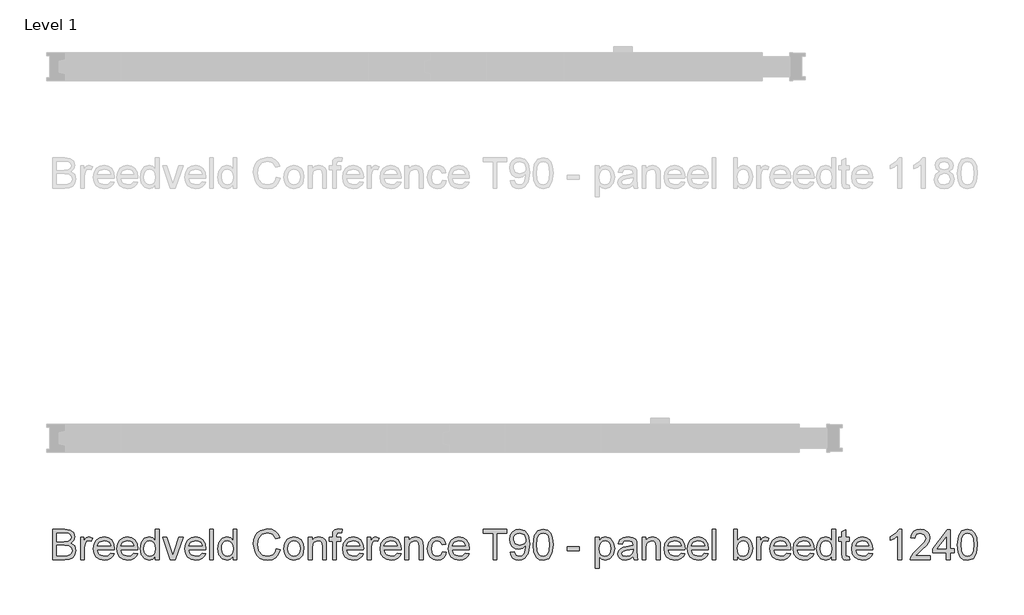
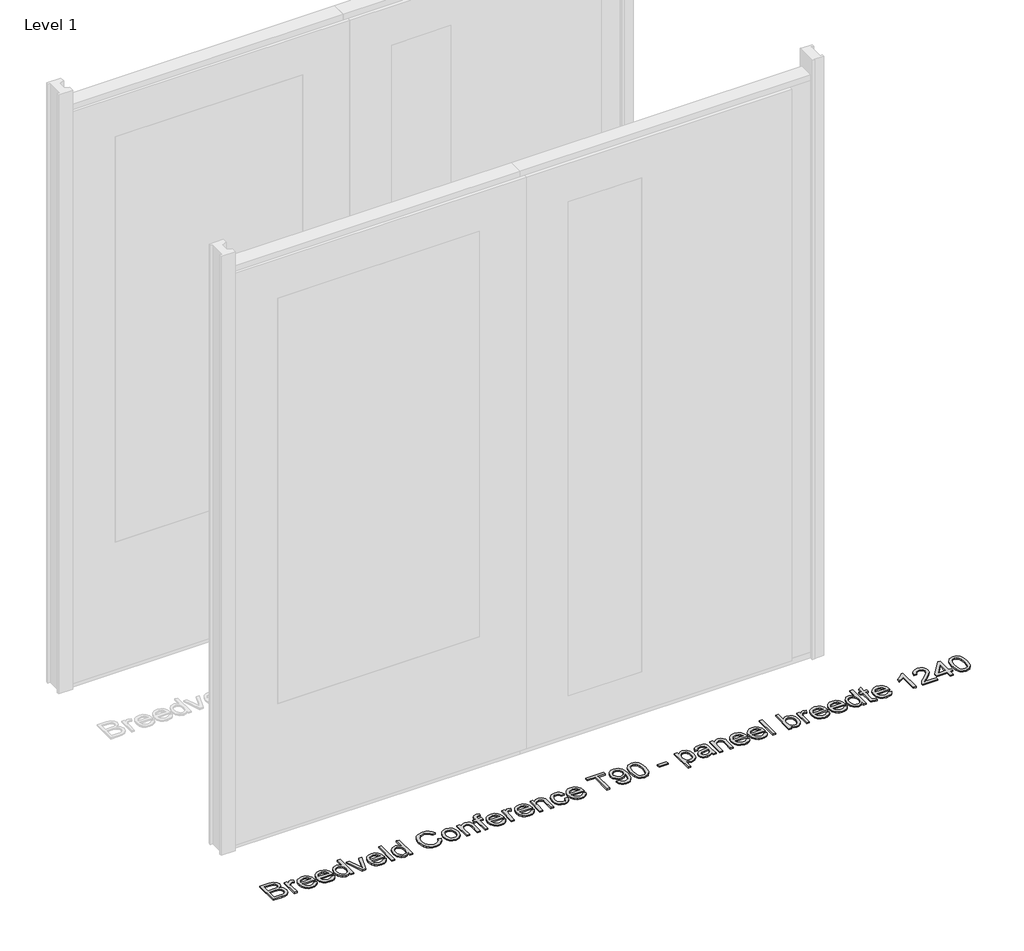
# One storey, part 2 of 17: 1 proxy.
"""IFC4 building model written with IfcOpenShell, lengths in millimetres."""

from ifc_helpers import new_model, si_unit, origin, origin_with_axes, place, context, project, spatial, polyline, outline, extrude, element, save

model = new_model("IFC4")

# Units and contexts
model_context = context("Model", 3, world=origin())
ifc_project = project(units=[si_unit("LENGTHUNIT", "METRE", prefix="MILLI")], contexts=[model_context])

# Site, building, storey
site = spatial("IfcSite", under=ifc_project)
building = spatial("IfcBuilding", under=site)
storey = spatial("IfcBuildingStorey", under=building, Name="Level 1", Elevation=0.0)

# Proxy
placement = place(None, origin())
element("IfcBuildingElementProxy", 1, Name="100 mm", ObjectType="100 mm", at=placement, inside=storey, context=model_context, shape_type="SweptSolid", body=[
    extrude(outline(polyline([(-17380.3580543, -1907.0581918), (-17380.3580543, -1808.5966533), (-17342.7859389, -1808.5966533), (-17324.3844966, -1811.4932879), (-17313.519112, -1820.3995379), (-17309.5888235, -1832.9956918), (-17312.894112, -1844.4980956), (-17322.8820927, -1853.2120379), (-17310.7546889, -1862.3947302), (-17306.5119004, -1877.7072302), (-17309.4085351, -1890.9404033), (-17316.5840158, -1900.3634802), (-17327.2931504, -1905.3634802), (-17343.0744004, -1907.0581918), (-17380.3580543, -1907.0581918)]), holes=[polyline([(-17368.050362, -1894.7504995), (-17342.8099774, -1894.7504995), (-17333.675362, -1894.2697302), (-17325.9469966, -1891.5894418), (-17320.8268043, -1886.1206918), (-17318.8195927, -1877.8274225), (-17321.175362, -1868.2601148), (-17328.8075735, -1862.5509802), (-17344.0119004, -1860.9043456), (-17368.050362, -1860.9043456), (-17368.050362, -1894.7504995)]), polyline([(-17368.050362, -1848.5966533), (-17345.5744004, -1848.5966533), (-17332.4494004, -1847.538961), (-17324.5527658, -1842.9836725), (-17321.8965158, -1834.9668456), (-17324.3724774, -1826.9379995), (-17331.4638235, -1822.1904033), (-17347.2811312, -1820.9043456), (-17368.050362, -1820.9043456), (-17368.050362, -1848.5966533)])]), origin_with_axes(), (0.0, 0.0, 1.0), 5.0),
    extrude(outline(polyline([(-17291.1272851, -1907.0581918), (-17291.1272851, -1834.7504995), (-17280.3580543, -1834.7504995), (-17280.3580543, -1845.4476148), (-17272.7138235, -1835.5918456), (-17265.0215158, -1833.2120379), (-17252.6657466, -1837.0101148), (-17256.7763235, -1848.0437687), (-17265.4301697, -1845.5197302), (-17272.3893043, -1847.9476148), (-17276.8244004, -1854.6783841), (-17278.8195927, -1869.0533841), (-17278.8195927, -1907.0581918), (-17291.1272851, -1907.0581918)])), origin_with_axes(), (0.0, 0.0, 1.0), 5.0),
    extrude(outline(polyline([(-17194.3484389, -1885.5197302), (-17182.2811312, -1887.0581918), (-17186.6290879, -1896.1507398), (-17193.5671889, -1902.9476148), (-17202.9391841, -1907.1843937), (-17214.5888235, -1908.5966533), (-17229.0299293, -1906.1597543), (-17240.1417081, -1898.8490571), (-17247.2270447, -1887.1393216), (-17249.5888235, -1871.5053071), (-17247.2030062, -1855.3454514), (-17240.0455543, -1843.2601148), (-17229.0840158, -1835.7240571), (-17215.2859389, -1833.2120379), (-17201.9175495, -1835.7180475), (-17191.2354581, -1843.2360764), (-17184.2312514, -1855.2973745), (-17181.8965158, -1871.4331918), (-17181.9686312, -1874.7504995), (-17237.2811312, -1874.7504995), (-17235.1507226, -1883.9632398), (-17230.2018043, -1890.7360764), (-17214.3484389, -1896.288961), (-17202.2811312, -1893.7168456), (-17194.3484389, -1885.5197302)]), holes=[polyline([(-17237.2811312, -1862.4428071), (-17194.2042081, -1862.4428071), (-17199.1320927, -1851.288961), (-17206.3075735, -1846.9620379), (-17215.3340158, -1845.5197302), (-17230.4902658, -1850.1230956), (-17237.2811312, -1862.4428071)])]), origin_with_axes(), (0.0, 0.0, 1.0), 5.0),
    extrude(outline(polyline([(-17118.9638235, -1885.5197302), (-17106.8965158, -1887.0581918), (-17111.2444726, -1896.1507398), (-17118.1825735, -1902.9476148), (-17127.5545687, -1907.1843937), (-17139.2042081, -1908.5966533), (-17153.6453139, -1906.1597543), (-17164.7570927, -1898.8490571), (-17171.8424293, -1887.1393216), (-17174.2042081, -1871.5053071), (-17171.8183908, -1855.3454514), (-17164.6609389, -1843.2601148), (-17153.6994004, -1835.7240571), (-17139.9013235, -1833.2120379), (-17126.5329341, -1835.7180475), (-17115.8508427, -1843.2360764), (-17108.846636, -1855.2973745), (-17106.5119004, -1871.4331918), (-17106.5840158, -1874.7504995), (-17161.8965158, -1874.7504995), (-17159.7661072, -1883.9632398), (-17154.8171889, -1890.7360764), (-17138.9638235, -1896.288961), (-17126.8965158, -1893.7168456), (-17118.9638235, -1885.5197302)]), holes=[polyline([(-17161.8965158, -1862.4428071), (-17118.8195927, -1862.4428071), (-17123.7474774, -1851.288961), (-17130.9229581, -1846.9620379), (-17139.9494004, -1845.5197302), (-17155.1056504, -1850.1230956), (-17161.8965158, -1862.4428071)])]), origin_with_axes(), (0.0, 0.0, 1.0), 5.0),
    extrude(outline(polyline([(-17049.5888235, -1907.0581918), (-17049.5888235, -1895.4476148), (-17057.7318524, -1905.3093937), (-17068.987862, -1908.5966533), (-17084.2282466, -1903.8370379), (-17094.9974774, -1890.5557879), (-17098.8195927, -1870.976461), (-17095.2979581, -1851.3851148), (-17084.7450735, -1837.8995379), (-17069.0359389, -1833.2120379), (-17057.6897851, -1836.5654033), (-17049.5888235, -1845.2793456), (-17049.5888235, -1808.5966533), (-17037.2811312, -1808.5966533), (-17037.2811312, -1907.0581918), (-17049.5888235, -1907.0581918)]), holes=[polyline([(-17086.5119004, -1870.9283841), (-17085.1236793, -1882.0611966), (-17080.9590158, -1889.9788648), (-17074.9073331, -1894.711437), (-17067.8580543, -1896.288961), (-17060.8117802, -1894.7835523), (-17054.9133427, -1890.2673264), (-17050.9199533, -1882.6561485), (-17049.5888235, -1871.8658841), (-17050.9439918, -1860.0690091), (-17055.0094966, -1851.8899225), (-17061.0581745, -1847.1122783), (-17068.362862, -1845.5197302), (-17075.4842562, -1847.0491773), (-17081.3195927, -1851.6375187), (-17085.2138235, -1859.5191293), (-17086.5119004, -1870.9283841)])]), origin_with_axes(), (0.0, 0.0, 1.0), 5.0),
    extrude(outline(polyline([(-17001.0792081, -1907.0581918), (-17026.5119004, -1834.7504995), (-17013.4830543, -1834.7504995), (-16998.0744004, -1878.0678071), (-16993.4349774, -1892.6351148), (-16988.8917081, -1878.8851148), (-16973.3869004, -1834.7504995), (-16960.3580543, -1834.7504995), (-16985.4782466, -1907.0581918), (-17001.0792081, -1907.0581918)])), origin_with_axes(), (0.0, 0.0, 1.0), 5.0),
    extrude(outline(polyline([(-16898.9638235, -1885.5197302), (-16886.8965158, -1887.0581918), (-16891.2444726, -1896.1507398), (-16898.1825735, -1902.9476148), (-16907.5545687, -1907.1843937), (-16919.2042081, -1908.5966533), (-16933.6453139, -1906.1597543), (-16944.7570927, -1898.8490571), (-16951.8424293, -1887.1393216), (-16954.2042081, -1871.5053071), (-16951.8183908, -1855.3454514), (-16944.6609389, -1843.2601148), (-16933.6994004, -1835.7240571), (-16919.9013235, -1833.2120379), (-16906.5329341, -1835.7180475), (-16895.8508427, -1843.2360764), (-16888.846636, -1855.2973745), (-16886.5119004, -1871.4331918), (-16886.5840158, -1874.7504995), (-16941.8965158, -1874.7504995), (-16939.7661072, -1883.9632398), (-16934.8171889, -1890.7360764), (-16918.9638235, -1896.288961), (-16906.8965158, -1893.7168456), (-16898.9638235, -1885.5197302)]), holes=[polyline([(-16941.8965158, -1862.4428071), (-16898.8195927, -1862.4428071), (-16903.7474774, -1851.288961), (-16910.9229581, -1846.9620379), (-16919.9494004, -1845.5197302), (-16935.1056504, -1850.1230956), (-16941.8965158, -1862.4428071)])]), origin_with_axes(), (0.0, 0.0, 1.0), 5.0),
    extrude(outline(polyline([(-16874.2042081, -1907.0581918), (-16874.2042081, -1808.5966533), (-16861.8965158, -1808.5966533), (-16861.8965158, -1907.0581918), (-16874.2042081, -1907.0581918)])), origin_with_axes(), (0.0, 0.0, 1.0), 5.0),
    extrude(outline(polyline([(-16798.8195927, -1907.0581918), (-16798.8195927, -1895.4476148), (-16806.9626216, -1905.3093937), (-16818.2186312, -1908.5966533), (-16833.4590158, -1903.8370379), (-16844.2282466, -1890.5557879), (-16848.050362, -1870.976461), (-16844.5287274, -1851.3851148), (-16833.9758427, -1837.8995379), (-16818.2667081, -1833.2120379), (-16806.9205543, -1836.5654033), (-16798.8195927, -1845.2793456), (-16798.8195927, -1808.5966533), (-16786.5119004, -1808.5966533), (-16786.5119004, -1907.0581918), (-16798.8195927, -1907.0581918)]), holes=[polyline([(-16835.7426697, -1870.9283841), (-16834.3544485, -1882.0611966), (-16830.1897851, -1889.9788648), (-16824.1381024, -1894.711437), (-16817.0888235, -1896.288961), (-16810.0425495, -1894.7835523), (-16804.144112, -1890.2673264), (-16800.1507226, -1882.6561485), (-16798.8195927, -1871.8658841), (-16800.174761, -1860.0690091), (-16804.2402658, -1851.8899225), (-16810.2889437, -1847.1122783), (-16817.5936312, -1845.5197302), (-16824.7150254, -1847.0491773), (-16830.550362, -1851.6375187), (-16834.4445927, -1859.5191293), (-16835.7426697, -1870.9283841)])]), origin_with_axes(), (0.0, 0.0, 1.0), 5.0),
    extrude(outline(polyline([(-16658.8195927, -1872.0581918), (-16646.5119004, -1875.2312687), (-16652.190987, -1889.5732158), (-16661.1032466, -1900.0509802), (-16672.8099774, -1906.460235), (-16686.8724774, -1908.5966533), (-16701.1483187, -1906.9800668), (-16712.4854581, -1902.1303071), (-16721.175362, -1894.2156437), (-16727.5094966, -1883.4043456), (-16732.6657466, -1857.0822302), (-16731.2084149, -1842.7252591), (-16726.8364197, -1830.3274225), (-16719.7781264, -1820.2823504), (-16710.2619004, -1812.9836725), (-16686.6080543, -1807.0581918), (-16673.1134629, -1808.9752591), (-16661.956612, -1814.726461), (-16653.4860591, -1823.9572302), (-16648.050362, -1836.3129995), (-16660.3580543, -1839.2456918), (-16670.4542081, -1824.1134802), (-16687.0888235, -1819.3658841), (-16706.3436312, -1824.6303071), (-16717.2210351, -1838.7649225), (-16720.3580543, -1857.0581918), (-16716.644112, -1878.2601148), (-16705.081612, -1891.8057879), (-16688.0984389, -1896.288961), (-16677.8250014, -1894.7625187), (-16669.2643043, -1890.1831918), (-16662.8009629, -1882.5990571), (-16658.8195927, -1872.0581918)])), origin_with_axes(), (0.0, 0.0, 1.0), 5.0),
    extrude(outline(polyline([(-16634.2042081, -1870.9043456), (-16631.5419485, -1853.4704514), (-16623.5551697, -1841.2168456), (-16613.6873812, -1835.2132398), (-16601.8724774, -1833.2120379), (-16588.9427899, -1835.648937), (-16578.6152658, -1842.9596341), (-16571.8454341, -1854.5672062), (-16569.5888235, -1869.8947302), (-16573.5792081, -1891.7937687), (-16585.2018043, -1904.1855956), (-16601.8724774, -1908.5966533), (-16614.9584149, -1906.1687687), (-16625.2739197, -1898.8851148), (-16631.971636, -1887.0341533), (-16634.2042081, -1870.9043456)]), holes=[polyline([(-16621.8965158, -1870.8803071), (-16620.472237, -1882.0191293), (-16616.1994004, -1889.9548264), (-16609.769112, -1894.7054273), (-16601.8724774, -1896.288961), (-16594.0119004, -1894.6964129), (-16587.5936312, -1889.9187687), (-16583.3207947, -1881.8779033), (-16581.8965158, -1870.4956918), (-16583.3298091, -1859.6813889), (-16587.6296889, -1851.8538648), (-16594.0569726, -1847.1032639), (-16601.8724774, -1845.5197302), (-16609.769112, -1847.0972543), (-16616.1994004, -1851.8298264), (-16620.472237, -1859.7474946), (-16621.8965158, -1870.8803071)])]), origin_with_axes(), (0.0, 0.0, 1.0), 5.0),
    extrude(outline(polyline([(-16555.7426697, -1907.0581918), (-16555.7426697, -1834.7504995), (-16543.4349774, -1834.7504995), (-16543.4349774, -1844.8466533), (-16534.0239197, -1836.1206918), (-16521.175362, -1833.2120379), (-16509.5527658, -1835.5557879), (-16501.6200735, -1841.7096341), (-16497.9301697, -1850.7601148), (-16497.2811312, -1862.6591533), (-16497.2811312, -1907.0581918), (-16509.5888235, -1907.0581918), (-16509.5888235, -1864.3178071), (-16511.0070927, -1853.4283841), (-16516.019112, -1847.6711725), (-16524.4686312, -1845.5197302), (-16537.8219966, -1850.351461), (-16542.0317322, -1857.3526629), (-16543.4349774, -1868.6928071), (-16543.4349774, -1907.0581918), (-16555.7426697, -1907.0581918)])), origin_with_axes(), (0.0, 0.0, 1.0), 5.0),
    extrude(outline(polyline([(-16477.2811312, -1907.0581918), (-16477.2811312, -1847.0581918), (-16488.050362, -1847.0581918), (-16488.050362, -1834.7504995), (-16477.2811312, -1834.7504995), (-16477.2811312, -1827.4668456), (-16475.9830543, -1817.2024225), (-16469.6849774, -1809.8706918), (-16457.2811312, -1807.0581918), (-16446.0551697, -1808.4043456), (-16447.8580543, -1819.9428071), (-16454.9494004, -1819.3658841), (-16462.7018043, -1821.4091533), (-16464.9734389, -1829.0293456), (-16464.9734389, -1834.7504995), (-16451.1272851, -1834.7504995), (-16451.1272851, -1847.0581918), (-16464.9734389, -1847.0581918), (-16464.9734389, -1907.0581918), (-16477.2811312, -1907.0581918)])), origin_with_axes(), (0.0, 0.0, 1.0), 5.0),
    extrude(outline(polyline([(-16389.7330543, -1885.5197302), (-16377.6657466, -1887.0581918), (-16382.0137033, -1896.1507398), (-16388.9518043, -1902.9476148), (-16398.3237995, -1907.1843937), (-16409.9734389, -1908.5966533), (-16424.4145447, -1906.1597543), (-16435.5263235, -1898.8490571), (-16442.6116601, -1887.1393216), (-16444.9734389, -1871.5053071), (-16442.5876216, -1855.3454514), (-16435.4301697, -1843.2601148), (-16424.4686312, -1835.7240571), (-16410.6705543, -1833.2120379), (-16397.3021649, -1835.7180475), (-16386.6200735, -1843.2360764), (-16379.6158668, -1855.2973745), (-16377.2811312, -1871.4331918), (-16377.3532466, -1874.7504995), (-16432.6657466, -1874.7504995), (-16430.5353379, -1883.9632398), (-16425.5864197, -1890.7360764), (-16409.7330543, -1896.288961), (-16397.6657466, -1893.7168456), (-16389.7330543, -1885.5197302)]), holes=[polyline([(-16432.6657466, -1862.4428071), (-16389.5888235, -1862.4428071), (-16394.5167081, -1851.288961), (-16401.6921889, -1846.9620379), (-16410.7186312, -1845.5197302), (-16425.8748812, -1850.1230956), (-16432.6657466, -1862.4428071)])]), origin_with_axes(), (0.0, 0.0, 1.0), 5.0),
    extrude(outline(polyline([(-16364.9734389, -1907.0581918), (-16364.9734389, -1834.7504995), (-16354.2042081, -1834.7504995), (-16354.2042081, -1845.4476148), (-16346.5599774, -1835.5918456), (-16338.8676697, -1833.2120379), (-16326.5119004, -1837.0101148), (-16330.6224774, -1848.0437687), (-16339.2763235, -1845.5197302), (-16346.2354581, -1847.9476148), (-16350.6705543, -1854.6783841), (-16352.6657466, -1869.0533841), (-16352.6657466, -1907.0581918), (-16364.9734389, -1907.0581918)])), origin_with_axes(), (0.0, 0.0, 1.0), 5.0),
    extrude(outline(polyline([(-16268.1945927, -1885.5197302), (-16256.1272851, -1887.0581918), (-16260.4752418, -1896.1507398), (-16267.4133427, -1902.9476148), (-16276.7853379, -1907.1843937), (-16288.4349774, -1908.5966533), (-16302.8760831, -1906.1597543), (-16313.987862, -1898.8490571), (-16321.0731985, -1887.1393216), (-16323.4349774, -1871.5053071), (-16321.0491601, -1855.3454514), (-16313.8917081, -1843.2601148), (-16302.9301697, -1835.7240571), (-16289.1320927, -1833.2120379), (-16275.7637033, -1835.7180475), (-16265.081612, -1843.2360764), (-16258.0774052, -1855.2973745), (-16255.7426697, -1871.4331918), (-16255.8147851, -1874.7504995), (-16311.1272851, -1874.7504995), (-16308.9968764, -1883.9632398), (-16304.0479581, -1890.7360764), (-16288.1945927, -1896.288961), (-16276.1272851, -1893.7168456), (-16268.1945927, -1885.5197302)]), holes=[polyline([(-16311.1272851, -1862.4428071), (-16268.050362, -1862.4428071), (-16272.9782466, -1851.288961), (-16280.1537274, -1846.9620379), (-16289.1801697, -1845.5197302), (-16304.3364197, -1850.1230956), (-16311.1272851, -1862.4428071)])]), origin_with_axes(), (0.0, 0.0, 1.0), 5.0),
    extrude(outline(polyline([(-16243.4349774, -1907.0581918), (-16243.4349774, -1834.7504995), (-16231.1272851, -1834.7504995), (-16231.1272851, -1844.8466533), (-16221.7162274, -1836.1206918), (-16208.8676697, -1833.2120379), (-16197.2450735, -1835.5557879), (-16189.3123812, -1841.7096341), (-16185.6224774, -1850.7601148), (-16184.9734389, -1862.6591533), (-16184.9734389, -1907.0581918), (-16197.2811312, -1907.0581918), (-16197.2811312, -1864.3178071), (-16198.6994004, -1853.4283841), (-16203.7114197, -1847.6711725), (-16212.1609389, -1845.5197302), (-16225.5143043, -1850.351461), (-16229.7240399, -1857.3526629), (-16231.1272851, -1868.6928071), (-16231.1272851, -1907.0581918), (-16243.4349774, -1907.0581918)])), origin_with_axes(), (0.0, 0.0, 1.0), 5.0),
    extrude(outline(polyline([(-16121.8965158, -1880.9043456), (-16109.5888235, -1882.4428071), (-16113.0203139, -1893.3893216), (-16119.4686312, -1901.6615571), (-16128.3268043, -1906.8628793), (-16138.987862, -1908.5966533), (-16152.0798091, -1906.1777831), (-16162.3171889, -1898.9211725), (-16168.924761, -1887.1453312), (-16171.1272851, -1871.1687687), (-16167.3652658, -1850.7240571), (-16155.8989197, -1837.5870379), (-16139.1561312, -1833.2120379), (-16128.7564918, -1834.7144418), (-16120.4421889, -1839.2216533), (-16114.4776456, -1846.4932879), (-16111.1272851, -1856.288961), (-16123.4349774, -1857.8274225), (-16129.144112, -1848.6086725), (-16139.0599774, -1845.5197302), (-16147.0137033, -1847.0401629), (-16153.3268043, -1851.601461), (-16157.4463956, -1859.4500187), (-16158.8195927, -1870.8322302), (-16157.4764437, -1882.367687), (-16153.4469966, -1890.2432879), (-16147.2480783, -1894.7775427), (-16139.3965158, -1896.288961), (-16127.7979581, -1892.5149225), (-16121.8965158, -1880.9043456)])), origin_with_axes(), (0.0, 0.0, 1.0), 5.0),
    extrude(outline(polyline([(-16048.1945927, -1885.5197302), (-16036.1272851, -1887.0581918), (-16040.4752418, -1896.1507398), (-16047.4133427, -1902.9476148), (-16056.7853379, -1907.1843937), (-16068.4349774, -1908.5966533), (-16082.8760831, -1906.1597543), (-16093.987862, -1898.8490571), (-16101.0731985, -1887.1393216), (-16103.4349774, -1871.5053071), (-16101.0491601, -1855.3454514), (-16093.8917081, -1843.2601148), (-16082.9301697, -1835.7240571), (-16069.1320927, -1833.2120379), (-16055.7637033, -1835.7180475), (-16045.081612, -1843.2360764), (-16038.0774052, -1855.2973745), (-16035.7426697, -1871.4331918), (-16035.8147851, -1874.7504995), (-16091.1272851, -1874.7504995), (-16088.9968764, -1883.9632398), (-16084.0479581, -1890.7360764), (-16068.1945927, -1896.288961), (-16056.1272851, -1893.7168456), (-16048.1945927, -1885.5197302)]), holes=[polyline([(-16091.1272851, -1862.4428071), (-16048.050362, -1862.4428071), (-16052.9782466, -1851.288961), (-16060.1537274, -1846.9620379), (-16069.1801697, -1845.5197302), (-16084.3364197, -1850.1230956), (-16091.1272851, -1862.4428071)])]), origin_with_axes(), (0.0, 0.0, 1.0), 5.0),
    extrude(outline(polyline([(-15958.8195927, -1907.0581918), (-15958.8195927, -1820.9043456), (-15991.1272851, -1820.9043456), (-15991.1272851, -1808.5966533), (-15914.2042081, -1808.5966533), (-15914.2042081, -1820.9043456), (-15946.5119004, -1820.9043456), (-15946.5119004, -1907.0581918), (-15958.8195927, -1907.0581918)])), origin_with_axes(), (0.0, 0.0, 1.0), 5.0),
    extrude(outline(polyline([(-15903.4349774, -1882.4428071), (-15891.1272851, -1880.9043456), (-15885.5984389, -1892.6471341), (-15875.1176697, -1896.288961), (-15865.1537274, -1893.945211), (-15858.3989197, -1887.6831918), (-15854.3724774, -1876.9860764), (-15852.5936312, -1862.7072302), (-15852.6657466, -1860.3033841), (-15862.5094966, -1869.6303071), (-15876.0070927, -1873.2120379), (-15887.2300495, -1871.0245379), (-15896.5719966, -1864.4620379), (-15902.8730783, -1854.3238168), (-15904.9734389, -1841.4091533), (-15902.7709149, -1828.0678071), (-15896.1633427, -1817.6110764), (-15886.2384629, -1810.8502591), (-15874.0840158, -1808.5966533), (-15856.5479581, -1813.7408841), (-15844.4806504, -1828.4043456), (-15840.3580543, -1855.9524225), (-15844.4686312, -1885.8442495), (-15856.6921889, -1902.7793456), (-15865.4992802, -1907.1423264), (-15875.6945927, -1908.5966533), (-15886.2174293, -1906.8809081), (-15894.612862, -1901.7336725), (-15900.4842562, -1893.4794658), (-15903.4349774, -1882.4428071)]), holes=[polyline([(-15852.6657466, -1841.1206918), (-15857.9782466, -1826.3610764), (-15872.0888235, -1820.9043456), (-15880.3099774, -1822.3736966), (-15886.8965158, -1826.7817495), (-15891.2234389, -1833.5275427), (-15892.6657466, -1842.0101148), (-15887.2090158, -1855.6519418), (-15872.425362, -1860.9043456), (-15858.2306504, -1855.6519418), (-15854.0569726, -1849.3929273), (-15852.6657466, -1841.1206918)])]), origin_with_axes(), (0.0, 0.0, 1.0), 5.0),
    extrude(outline(polyline([(-15829.5888235, -1858.6206918), (-15825.9710351, -1830.2913648), (-15815.2258427, -1813.9572302), (-15797.2811312, -1808.5966533), (-15782.9061312, -1811.7697302), (-15772.9782466, -1820.9163648), (-15767.2090158, -1835.4836725), (-15764.9734389, -1858.6206918), (-15768.5551697, -1886.8298264), (-15779.2643043, -1903.2000187), (-15797.2811312, -1908.5966533), (-15810.0695927, -1906.2529033), (-15819.7811312, -1899.2216533), (-15827.1369004, -1882.5690091), (-15829.5888235, -1858.6206918)]), holes=[polyline([(-15817.2811312, -1858.5966533), (-15815.8388235, -1877.9566293), (-15811.5119004, -1889.1615571), (-15805.0695927, -1894.50711), (-15797.2811312, -1896.288961), (-15789.4926697, -1894.5011004), (-15783.050362, -1889.1375187), (-15778.7234389, -1877.9265812), (-15777.2811312, -1858.5966533), (-15778.675362, -1839.6723745), (-15782.8580543, -1828.3803071), (-15789.2883427, -1822.773336), (-15797.425362, -1820.9043456), (-15805.1296889, -1822.5509802), (-15811.3195927, -1827.4908841), (-15815.7907466, -1839.4860764), (-15817.2811312, -1858.5966533)])]), origin_with_axes(), (0.0, 0.0, 1.0), 5.0),
    extrude(outline(polyline([(-15718.8195927, -1877.8274225), (-15718.8195927, -1865.5197302), (-15680.3580543, -1865.5197302), (-15680.3580543, -1877.8274225), (-15718.8195927, -1877.8274225)])), origin_with_axes(), (0.0, 0.0, 1.0), 5.0),
    extrude(outline(polyline([(-15628.050362, -1934.7504995), (-15628.050362, -1834.7504995), (-15615.7426697, -1834.7504995), (-15615.7426697, -1846.8178071), (-15607.2330543, -1836.6134802), (-15595.7426697, -1833.2120379), (-15580.1417081, -1837.9716533), (-15569.9494004, -1851.3851148), (-15566.5119004, -1870.351461), (-15570.394112, -1890.2913648), (-15581.6681504, -1903.8730956), (-15597.2330543, -1908.5966533), (-15607.9421889, -1905.4355956), (-15615.7426697, -1897.4428071), (-15615.7426697, -1934.7504995), (-15628.050362, -1934.7504995)]), holes=[polyline([(-15615.7426697, -1871.4812687), (-15614.4115399, -1882.5149225), (-15610.4181504, -1890.2312687), (-15604.5257226, -1894.7745379), (-15597.4974774, -1896.288961), (-15590.3550495, -1894.7204514), (-15584.3123812, -1890.0149225), (-15580.1927899, -1882.0161245), (-15578.8195927, -1870.5678071), (-15580.159737, -1859.5942495), (-15584.1801697, -1851.7697302), (-15590.0635831, -1847.0822302), (-15596.9926697, -1845.5197302), (-15603.9487995, -1847.1813889), (-15610.0575735, -1852.1663648), (-15614.3213956, -1860.3184081), (-15615.7426697, -1871.4812687)])]), origin_with_axes(), (0.0, 0.0, 1.0), 5.0),
    extrude(outline(polyline([(-15506.5119004, -1897.8274225), (-15518.4469966, -1906.1687687), (-15531.6320927, -1908.5966533), (-15541.9175495, -1907.1363168), (-15549.5046889, -1902.7553071), (-15554.1831745, -1896.1026629), (-15555.7426697, -1887.8274225), (-15553.3869004, -1878.0918456), (-15547.1969966, -1871.0245379), (-15538.5792081, -1866.9860764), (-15527.9301697, -1865.1351148), (-15506.5840158, -1860.9043456), (-15506.5119004, -1858.163961), (-15509.9013235, -1849.0774225), (-15523.5070927, -1845.5197302), (-15535.9590158, -1847.8875187), (-15541.8965158, -1856.288961), (-15554.2042081, -1854.7504995), (-15548.8796889, -1842.7312687), (-15538.1585351, -1835.6879995), (-15521.9205543, -1833.2120379), (-15507.0046889, -1835.3995379), (-15498.5792081, -1840.8923264), (-15494.8051697, -1849.2456918), (-15494.2042081, -1860.0149225), (-15494.2042081, -1875.3274225), (-15493.5792081, -1896.7096341), (-15491.1272851, -1907.0581918), (-15503.4349774, -1907.0581918), (-15506.5119004, -1897.8274225)]), holes=[polyline([(-15506.5119004, -1873.2120379), (-15526.3676697, -1876.9860764), (-15536.956612, -1878.9812687), (-15541.7522851, -1882.226461), (-15543.4349774, -1886.9620379), (-15539.769112, -1893.6206918), (-15529.0119004, -1896.288961), (-15516.5599774, -1893.3442495), (-15508.5311312, -1886.2168456), (-15506.5840158, -1876.6976148), (-15506.5119004, -1873.2120379)])]), origin_with_axes(), (0.0, 0.0, 1.0), 5.0),
    extrude(outline(polyline([(-15477.2811312, -1907.0581918), (-15477.2811312, -1834.7504995), (-15464.9734389, -1834.7504995), (-15464.9734389, -1844.8466533), (-15455.5623812, -1836.1206918), (-15442.7138235, -1833.2120379), (-15431.0912274, -1835.5557879), (-15423.1585351, -1841.7096341), (-15419.4686312, -1850.7601148), (-15418.8195927, -1862.6591533), (-15418.8195927, -1907.0581918), (-15431.1272851, -1907.0581918), (-15431.1272851, -1864.3178071), (-15432.5455543, -1853.4283841), (-15437.5575735, -1847.6711725), (-15446.0070927, -1845.5197302), (-15459.3604581, -1850.351461), (-15463.5701937, -1857.3526629), (-15464.9734389, -1868.6928071), (-15464.9734389, -1907.0581918), (-15477.2811312, -1907.0581918)])), origin_with_axes(), (0.0, 0.0, 1.0), 5.0),
    extrude(outline(polyline([(-15351.2715158, -1885.5197302), (-15339.2042081, -1887.0581918), (-15343.5521649, -1896.1507398), (-15350.4902658, -1902.9476148), (-15359.862261, -1907.1843937), (-15371.5119004, -1908.5966533), (-15385.9530062, -1906.1597543), (-15397.0647851, -1898.8490571), (-15404.1501216, -1887.1393216), (-15406.5119004, -1871.5053071), (-15404.1260831, -1855.3454514), (-15396.9686312, -1843.2601148), (-15386.0070927, -1835.7240571), (-15372.2090158, -1833.2120379), (-15358.8406264, -1835.7180475), (-15348.1585351, -1843.2360764), (-15341.1543283, -1855.2973745), (-15338.8195927, -1871.4331918), (-15338.8917081, -1874.7504995), (-15394.2042081, -1874.7504995), (-15392.0737995, -1883.9632398), (-15387.1248812, -1890.7360764), (-15371.2715158, -1896.288961), (-15359.2042081, -1893.7168456), (-15351.2715158, -1885.5197302)]), holes=[polyline([(-15394.2042081, -1862.4428071), (-15351.1272851, -1862.4428071), (-15356.0551697, -1851.288961), (-15363.2306504, -1846.9620379), (-15372.2570927, -1845.5197302), (-15387.4133427, -1850.1230956), (-15394.2042081, -1862.4428071)])]), origin_with_axes(), (0.0, 0.0, 1.0), 5.0),
    extrude(outline(polyline([(-15275.8869004, -1885.5197302), (-15263.8195927, -1887.0581918), (-15268.1675495, -1896.1507398), (-15275.1056504, -1902.9476148), (-15284.4776456, -1907.1843937), (-15296.1272851, -1908.5966533), (-15310.5683908, -1906.1597543), (-15321.6801697, -1898.8490571), (-15328.7655062, -1887.1393216), (-15331.1272851, -1871.5053071), (-15328.7414677, -1855.3454514), (-15321.5840158, -1843.2601148), (-15310.6224774, -1835.7240571), (-15296.8244004, -1833.2120379), (-15283.456011, -1835.7180475), (-15272.7739197, -1843.2360764), (-15265.7697129, -1855.2973745), (-15263.4349774, -1871.4331918), (-15263.5070927, -1874.7504995), (-15318.8195927, -1874.7504995), (-15316.6891841, -1883.9632398), (-15311.7402658, -1890.7360764), (-15295.8869004, -1896.288961), (-15283.8195927, -1893.7168456), (-15275.8869004, -1885.5197302)]), holes=[polyline([(-15318.8195927, -1862.4428071), (-15275.7426697, -1862.4428071), (-15280.6705543, -1851.288961), (-15287.8460351, -1846.9620379), (-15296.8724774, -1845.5197302), (-15312.0287274, -1850.1230956), (-15318.8195927, -1862.4428071)])]), origin_with_axes(), (0.0, 0.0, 1.0), 5.0),
    extrude(outline(polyline([(-15251.1272851, -1907.0581918), (-15251.1272851, -1808.5966533), (-15238.8195927, -1808.5966533), (-15238.8195927, -1907.0581918), (-15251.1272851, -1907.0581918)])), origin_with_axes(), (0.0, 0.0, 1.0), 5.0),
    extrude(outline(polyline([(-15169.5888235, -1907.0581918), (-15181.8965158, -1907.0581918), (-15181.8965158, -1808.5966533), (-15169.5888235, -1808.5966533), (-15169.5888235, -1845.1110764), (-15160.9710351, -1836.1867975), (-15150.2619004, -1833.2120379), (-15137.9301697, -1835.8923264), (-15128.362862, -1843.4283841), (-15122.4854581, -1855.1471341), (-15120.3580543, -1869.8226148), (-15122.5605783, -1886.2529033), (-15129.1681504, -1898.476461), (-15138.8646649, -1906.0666052), (-15150.3340158, -1908.5966533), (-15161.2775254, -1905.3334321), (-15169.5888235, -1895.5437687), (-15169.5888235, -1907.0581918)]), holes=[polyline([(-15169.5888235, -1870.3995379), (-15166.2234389, -1887.6110764), (-15159.7751216, -1894.1194898), (-15151.3917081, -1896.288961), (-15144.2883427, -1894.6904033), (-15138.2186312, -1889.8947302), (-15134.0539677, -1881.9319898), (-15132.6657466, -1870.8322302), (-15133.9968764, -1859.570211), (-15137.9902658, -1851.6976148), (-15143.8706745, -1847.0642014), (-15150.862862, -1845.5197302), (-15157.9662274, -1847.1182879), (-15164.0359389, -1851.913961), (-15168.2006024, -1859.7324706), (-15169.5888235, -1870.3995379)])]), origin_with_axes(), (0.0, 0.0, 1.0), 5.0),
    extrude(outline(polyline([(-15106.5119004, -1907.0581918), (-15106.5119004, -1834.7504995), (-15095.7426697, -1834.7504995), (-15095.7426697, -1845.4476148), (-15088.0984389, -1835.5918456), (-15080.4061312, -1833.2120379), (-15068.050362, -1837.0101148), (-15072.1609389, -1848.0437687), (-15080.8147851, -1845.5197302), (-15087.7739197, -1847.9476148), (-15092.2090158, -1854.6783841), (-15094.2042081, -1869.0533841), (-15094.2042081, -1907.0581918), (-15106.5119004, -1907.0581918)])), origin_with_axes(), (0.0, 0.0, 1.0), 5.0),
    extrude(outline(polyline([(-15009.7330543, -1885.5197302), (-14997.6657466, -1887.0581918), (-15002.0137033, -1896.1507398), (-15008.9518043, -1902.9476148), (-15018.3237995, -1907.1843937), (-15029.9734389, -1908.5966533), (-15044.4145447, -1906.1597543), (-15055.5263235, -1898.8490571), (-15062.6116601, -1887.1393216), (-15064.9734389, -1871.5053071), (-15062.5876216, -1855.3454514), (-15055.4301697, -1843.2601148), (-15044.4686312, -1835.7240571), (-15030.6705543, -1833.2120379), (-15017.3021649, -1835.7180475), (-15006.6200735, -1843.2360764), (-14999.6158668, -1855.2973745), (-14997.2811312, -1871.4331918), (-14997.3532466, -1874.7504995), (-15052.6657466, -1874.7504995), (-15050.5353379, -1883.9632398), (-15045.5864197, -1890.7360764), (-15029.7330543, -1896.288961), (-15017.6657466, -1893.7168456), (-15009.7330543, -1885.5197302)]), holes=[polyline([(-15052.6657466, -1862.4428071), (-15009.5888235, -1862.4428071), (-15014.5167081, -1851.288961), (-15021.6921889, -1846.9620379), (-15030.7186312, -1845.5197302), (-15045.8748812, -1850.1230956), (-15052.6657466, -1862.4428071)])]), origin_with_axes(), (0.0, 0.0, 1.0), 5.0),
    extrude(outline(polyline([(-14934.3484389, -1885.5197302), (-14922.2811312, -1887.0581918), (-14926.6290879, -1896.1507398), (-14933.5671889, -1902.9476148), (-14942.9391841, -1907.1843937), (-14954.5888235, -1908.5966533), (-14969.0299293, -1906.1597543), (-14980.1417081, -1898.8490571), (-14987.2270447, -1887.1393216), (-14989.5888235, -1871.5053071), (-14987.2030062, -1855.3454514), (-14980.0455543, -1843.2601148), (-14969.0840158, -1835.7240571), (-14955.2859389, -1833.2120379), (-14941.9175495, -1835.7180475), (-14931.2354581, -1843.2360764), (-14924.2312514, -1855.2973745), (-14921.8965158, -1871.4331918), (-14921.9686312, -1874.7504995), (-14977.2811312, -1874.7504995), (-14975.1507226, -1883.9632398), (-14970.2018043, -1890.7360764), (-14954.3484389, -1896.288961), (-14942.2811312, -1893.7168456), (-14934.3484389, -1885.5197302)]), holes=[polyline([(-14977.2811312, -1862.4428071), (-14934.2042081, -1862.4428071), (-14939.1320927, -1851.288961), (-14946.3075735, -1846.9620379), (-14955.3340158, -1845.5197302), (-14970.4902658, -1850.1230956), (-14977.2811312, -1862.4428071)])]), origin_with_axes(), (0.0, 0.0, 1.0), 5.0),
    extrude(outline(polyline([(-14864.9734389, -1907.0581918), (-14864.9734389, -1895.4476148), (-14873.1164677, -1905.3093937), (-14884.3724774, -1908.5966533), (-14899.612862, -1903.8370379), (-14910.3820927, -1890.5557879), (-14914.2042081, -1870.976461), (-14910.6825735, -1851.3851148), (-14900.1296889, -1837.8995379), (-14884.4205543, -1833.2120379), (-14873.0744004, -1836.5654033), (-14864.9734389, -1845.2793456), (-14864.9734389, -1808.5966533), (-14852.6657466, -1808.5966533), (-14852.6657466, -1907.0581918), (-14864.9734389, -1907.0581918)]), holes=[polyline([(-14901.8965158, -1870.9283841), (-14900.5082947, -1882.0611966), (-14896.3436312, -1889.9788648), (-14890.2919485, -1894.711437), (-14883.2426697, -1896.288961), (-14876.1963956, -1894.7835523), (-14870.2979581, -1890.2673264), (-14866.3045687, -1882.6561485), (-14864.9734389, -1871.8658841), (-14866.3286072, -1860.0690091), (-14870.394112, -1851.8899225), (-14876.4427899, -1847.1122783), (-14883.7474774, -1845.5197302), (-14890.8688716, -1847.0491773), (-14896.7042081, -1851.6375187), (-14900.5984389, -1859.5191293), (-14901.8965158, -1870.9283841)])]), origin_with_axes(), (0.0, 0.0, 1.0), 5.0),
    extrude(outline(polyline([(-14808.050362, -1896.7937687), (-14806.5119004, -1907.4187687), (-14815.7186312, -1908.5966533), (-14826.0311312, -1906.5533841), (-14831.175362, -1901.1928071), (-14832.6657466, -1887.226461), (-14832.6657466, -1847.0581918), (-14841.8965158, -1847.0581918), (-14841.8965158, -1834.7504995), (-14832.6657466, -1834.7504995), (-14832.6657466, -1817.1783841), (-14820.3580543, -1809.9428071), (-14820.3580543, -1834.7504995), (-14808.050362, -1834.7504995), (-14808.050362, -1847.0581918), (-14820.3580543, -1847.0581918), (-14820.3580543, -1886.8658841), (-14819.7090158, -1893.2120379), (-14817.6056504, -1895.4596341), (-14813.4109389, -1896.288961), (-14808.050362, -1896.7937687)])), origin_with_axes(), (0.0, 0.0, 1.0), 5.0),
    extrude(outline(polyline([(-14745.1176697, -1885.5197302), (-14733.050362, -1887.0581918), (-14737.3983187, -1896.1507398), (-14744.3364197, -1902.9476148), (-14753.7084149, -1907.1843937), (-14765.3580543, -1908.5966533), (-14779.7991601, -1906.1597543), (-14790.9109389, -1898.8490571), (-14797.9962754, -1887.1393216), (-14800.3580543, -1871.5053071), (-14797.972237, -1855.3454514), (-14790.8147851, -1843.2601148), (-14779.8532466, -1835.7240571), (-14766.0551697, -1833.2120379), (-14752.6867802, -1835.7180475), (-14742.0046889, -1843.2360764), (-14735.0004822, -1855.2973745), (-14732.6657466, -1871.4331918), (-14732.737862, -1874.7504995), (-14788.050362, -1874.7504995), (-14785.9199533, -1883.9632398), (-14780.9710351, -1890.7360764), (-14765.1176697, -1896.288961), (-14753.050362, -1893.7168456), (-14745.1176697, -1885.5197302)]), holes=[polyline([(-14788.050362, -1862.4428071), (-14744.9734389, -1862.4428071), (-14749.9013235, -1851.288961), (-14757.0768043, -1846.9620379), (-14766.1032466, -1845.5197302), (-14781.2594966, -1850.1230956), (-14788.050362, -1862.4428071)])]), origin_with_axes(), (0.0, 0.0, 1.0), 5.0),
    extrude(outline(polyline([(-14638.8195927, -1907.0581918), (-14651.1272851, -1907.0581918), (-14651.1272851, -1830.3274225), (-14662.7859389, -1838.632711), (-14675.7426697, -1844.8466533), (-14675.7426697, -1833.2120379), (-14657.7018043, -1821.6976148), (-14646.7522851, -1808.5966533), (-14638.8195927, -1808.5966533), (-14638.8195927, -1907.0581918)])), origin_with_axes(), (0.0, 0.0, 1.0), 5.0),
    extrude(outline(polyline([(-14546.5119004, -1894.7504995), (-14546.5119004, -1907.0581918), (-14611.1272851, -1907.0581918), (-14609.8051697, -1898.5726148), (-14602.3292081, -1885.507711), (-14586.9205543, -1871.2408841), (-14565.6705543, -1850.7360764), (-14560.3580543, -1836.7937687), (-14565.3700735, -1825.507711), (-14578.4590158, -1820.9043456), (-14592.1008427, -1825.3995379), (-14597.2811312, -1837.8274225), (-14609.5888235, -1836.288961), (-14606.6050495, -1824.3839129), (-14600.1537274, -1815.6879995), (-14590.5713956, -1810.3694898), (-14578.1945927, -1808.5966533), (-14565.7276456, -1810.5678071), (-14556.1633427, -1816.4812687), (-14550.0786072, -1825.3154033), (-14548.050362, -1836.0485764), (-14550.237862, -1847.7192495), (-14557.5094966, -1859.7865571), (-14575.1417081, -1876.6495379), (-14589.300362, -1888.4884802), (-14594.8532466, -1894.7504995), (-14546.5119004, -1894.7504995)])), origin_with_axes(), (0.0, 0.0, 1.0), 5.0),
    extrude(outline(polyline([(-14494.2042081, -1907.0581918), (-14494.2042081, -1883.9812687), (-14538.8195927, -1883.9812687), (-14538.8195927, -1871.6735764), (-14491.1272851, -1810.1351148), (-14481.8965158, -1810.1351148), (-14481.8965158, -1871.6735764), (-14469.5888235, -1871.6735764), (-14469.5888235, -1883.9812687), (-14481.8965158, -1883.9812687), (-14481.8965158, -1907.0581918), (-14494.2042081, -1907.0581918)]), holes=[polyline([(-14494.2042081, -1871.6735764), (-14494.2042081, -1833.6447302), (-14523.675362, -1871.6735764), (-14494.2042081, -1871.6735764)])]), origin_with_axes(), (0.0, 0.0, 1.0), 5.0),
    extrude(outline(polyline([(-14458.8195927, -1858.6206918), (-14455.2018043, -1830.2913648), (-14444.456612, -1813.9572302), (-14426.5119004, -1808.5966533), (-14412.1369004, -1811.7697302), (-14402.2090158, -1820.9163648), (-14396.4397851, -1835.4836725), (-14394.2042081, -1858.6206918), (-14397.7859389, -1886.8298264), (-14408.4950735, -1903.2000187), (-14426.5119004, -1908.5966533), (-14439.300362, -1906.2529033), (-14449.0119004, -1899.2216533), (-14456.3676697, -1882.5690091), (-14458.8195927, -1858.6206918)]), holes=[polyline([(-14446.5119004, -1858.5966533), (-14445.0695927, -1877.9566293), (-14440.7426697, -1889.1615571), (-14434.300362, -1894.50711), (-14426.5119004, -1896.288961), (-14418.7234389, -1894.5011004), (-14412.2811312, -1889.1375187), (-14407.9542081, -1877.9265812), (-14406.5119004, -1858.5966533), (-14407.9061312, -1839.6723745), (-14412.0888235, -1828.3803071), (-14418.519112, -1822.773336), (-14426.6561312, -1820.9043456), (-14434.3604581, -1822.5509802), (-14440.550362, -1827.4908841), (-14445.0215158, -1839.4860764), (-14446.5119004, -1858.5966533)])]), origin_with_axes(), (0.0, 0.0, 1.0), 5.0),
])

save(model, "model.ifc")
